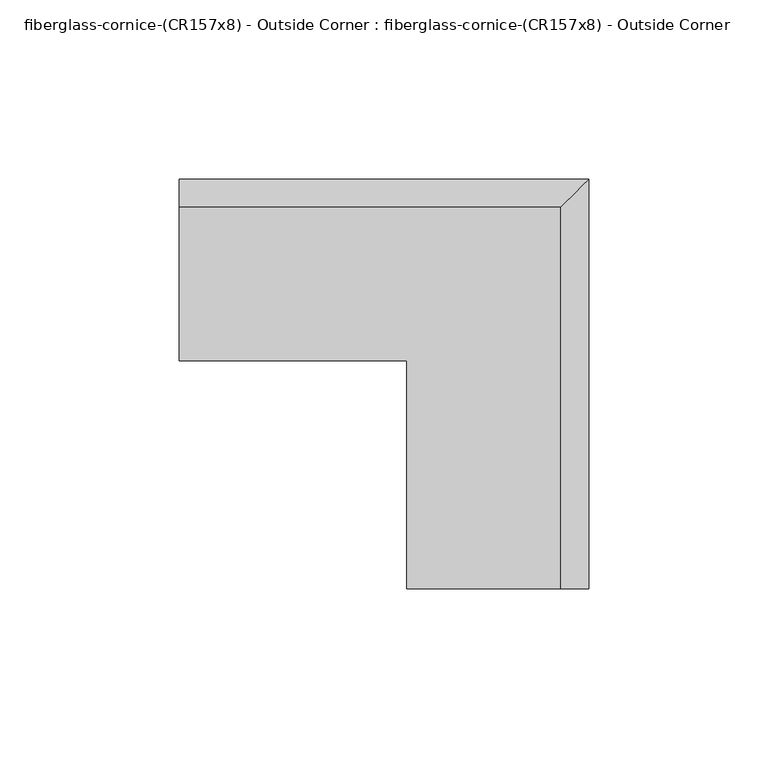
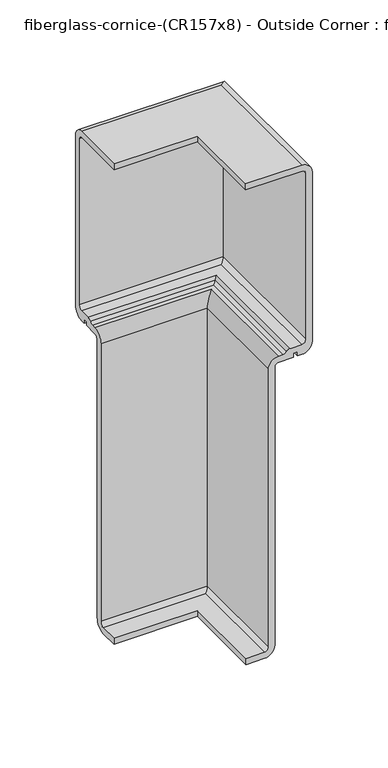
"""IFC4 building model written with IfcOpenShell, lengths in millimetres: furniture geometry, fiberglass-cornice-(CR157x8) - Outside Corner : fiberglass-cornice-(CR157x8) - Outside Corner."""

from ifc_helpers import new_model, si_unit, frame, origin, place, context, project, spatial, polyline, circle_curve, ellipse_curve, source, transform, mapped, element, save
from ifc_brep_helpers import plane_surface, cylinder_surface, revolved_surface, advanced_brep


def fiberglass_cornice_cr157x8_outside_corner_fiberglass_cornice_6117c140(model_context):
    return source(origin(), model_context, "Body", "AdvancedBrep", [
        advanced_brep(
        [(-196.9488213, 101.6, 330.1999904), (-196.9488213, 144.4625055, 330.1999904), (-196.9488213, 152.4006099, 322.261886), (-196.9488213, 152.4006099, 185.6778375), (-196.9488213, 144.4631099, 177.7403375), (-196.9488213, 141.2881099, 177.7403375), (-196.9488213, 141.2881099, 180.8652557), (-196.9488213, 138.1125055, 180.8652557), (-196.9488213, 138.1125055, 177.7402256), (-196.9488213, 127.0000004, 177.7402256), (-196.9488213, 123.8250004, 174.5652256), (-196.9488213, 123.8250004, -49.2125121), (-196.9488213, 115.8875004, -57.1500121), (-196.9488213, 101.854256, -57.1500121), (-196.9488213, 101.854256, -52.3875121), (-196.9488213, 115.8875004, -52.3875121), (-196.9488213, 119.0625004, -49.2125121), (-196.9488213, 119.0625004, 174.5652256), (-196.9488213, 127.0000004, 182.5027256), (-196.9488213, 130.1750055, 182.5027256), (-196.9488213, 132.9100589, 184.0652406), (-196.9488213, 135.6451123, 185.6277557), (-196.9488213, 144.4625055, 185.6277557), (-196.9488213, 147.6375055, 188.8027557), (-196.9488213, 147.6375055, 322.261886), (-196.9488213, 144.4625055, 325.436886), (-196.9488213, 101.6, 325.436886), (-133.3496026, 38.0007813, 330.1999904), (-133.3496026, 38.0007813, 325.436886), (-90.4870971, 38.0007813, 325.436886), (-87.3120971, 38.0007813, 322.261886), (-87.3120971, 38.0007813, 188.8027557), (-90.4870971, 38.0007813, 185.6277557), (-99.3044903, 38.0007813, 185.6277557), (-102.0395437, 38.0007813, 184.0652406), (-104.7745971, 38.0007813, 182.5027256), (-107.9496022, 38.0007813, 182.5027256), (-115.8871022, 38.0007813, 174.5652256), (-115.8871022, 38.0007813, -49.2125121), (-119.0621022, 38.0007813, -52.3875121), (-133.0953466, 38.0007813, -52.3875121), (-133.0953466, 38.0007813, -57.1500121), (-119.0621022, 38.0007813, -57.1500121), (-111.1246022, 38.0007813, -49.2125121), (-111.1246022, 38.0007813, 174.5652256), (-107.9496022, 38.0007813, 177.7402256), (-96.8370971, 38.0007813, 177.7402256), (-96.8370971, 38.0007813, 180.8652557), (-93.6614927, 38.0007813, 180.8652557), (-93.6614927, 38.0007813, 177.7403375), (-90.4864927, 38.0007813, 177.7403375), (-82.5489927, 38.0007813, 185.6778375), (-82.5489927, 38.0007813, 322.261886), (-90.4870971, 38.0007813, 330.1999904), (-133.3496026, 101.6, 330.1999904), (-90.4870971, 144.4625055, 330.1999904), (-82.5489927, 152.4006099, 322.261886), (-82.5489927, 152.4006099, 185.6778375), (-90.4864927, 144.4631099, 177.7403375), (-93.6614927, 141.2881099, 177.7403375), (-93.6614927, 141.2881099, 180.8652557), (-96.8370971, 138.1125055, 180.8652557), (-96.8370971, 138.1125055, 177.7402256), (-107.9496022, 127.0000004, 177.7402256), (-111.1246022, 123.8250004, 174.5652256), (-111.1246022, 123.8250004, -49.2125121), (-119.0621022, 115.8875004, -57.1500121), (-133.0953466, 101.854256, -57.1500121), (-133.0953466, 101.854256, -52.3875121), (-119.0621022, 115.8875004, -52.3875121), (-115.8871022, 119.0625004, -49.2125121), (-115.8871022, 119.0625004, 174.5652256), (-107.9496022, 127.0000004, 182.5027256), (-104.7745971, 130.1750055, 182.5027256), (-102.0395437, 132.9100589, 184.0652406), (-99.3044903, 135.6451123, 185.6277557), (-90.4870971, 144.4625055, 185.6277557), (-87.3120971, 147.6375055, 188.8027557), (-87.3120971, 147.6375055, 322.261886), (-90.4870971, 144.4625055, 325.436886), (-133.3496026, 101.6, 325.436886)],
        [
            (0, 1),
            (1, 2, circle_curve(frame((-196.9488213, 144.4625055, 322.261886), z_axis=(-1.0, 0.0, 0.0), x_axis=(0.0, 1.0, 0.0)), 7.9381044)),
            (2, 3),
            (3, 4, circle_curve(frame((-196.9488213, 144.4631099, 185.6778375), z_axis=(-1.0, 0.0, 0.0), x_axis=(0.0, 1.0, 0.0)), 7.9375)),
            (4, 5),
            (5, 6),
            (6, 7),
            (7, 8),
            (8, 9),
            (9, 10, circle_curve(frame((-196.9488213, 127.0000004, 174.5652256), z_axis=(1.0, 0.0, 0.0), x_axis=(0.0, 1.0, 0.0)), 3.175)),
            (10, 11),
            (11, 12, circle_curve(frame((-196.9488213, 115.8875004, -49.2125121), z_axis=(-1.0, 0.0, 0.0), x_axis=(0.0, 1.0, 0.0)), 7.9375)),
            (12, 13),
            (13, 14),
            (14, 15),
            (15, 16, circle_curve(frame((-196.9488213, 115.8875004, -49.2125121), z_axis=(1.0, 0.0, 0.0), x_axis=(0.0, 1.0, 0.0)), 3.175)),
            (16, 17),
            (17, 18, circle_curve(frame((-196.9488213, 127.0000004, 174.5652256), z_axis=(-1.0, 0.0, 0.0), x_axis=(0.0, 1.0, 0.0)), 7.9375)),
            (18, 19),
            (19, 20, circle_curve(frame((-196.9488213, 130.1750055, 185.6777256), z_axis=(1.0, 0.0, 0.0), x_axis=(0.0, 1.0, 0.0)), 3.175)),
            (20, 21, circle_curve(frame((-196.9488213, 135.6451123, 182.4527557), z_axis=(-1.0, 0.0, 0.0), x_axis=(0.0, 1.0, 0.0)), 3.175)),
            (21, 22),
            (22, 23, circle_curve(frame((-196.9488213, 144.4625055, 188.8027557), z_axis=(1.0, 0.0, 0.0), x_axis=(0.0, 1.0, 0.0)), 3.175)),
            (23, 24),
            (24, 25, circle_curve(frame((-196.9488213, 144.4625055, 322.261886), z_axis=(1.0, 0.0, 0.0), x_axis=(0.0, 1.0, 0.0)), 3.175)),
            (25, 26),
            (26, 0),
            (27, 28),
            (28, 29),
            (29, 30, circle_curve(frame((-90.4870971, 38.0007813, 322.261886), z_axis=(0.0, 1.0, 0.0), x_axis=(1.0, 0.0, 0.0)), 3.175)),
            (30, 31),
            (31, 32, circle_curve(frame((-90.4870971, 38.0007813, 188.8027557), z_axis=(0.0, 1.0, 0.0), x_axis=(1.0, 0.0, 0.0)), 3.175)),
            (32, 33),
            (33, 34, circle_curve(frame((-99.3044903, 38.0007813, 182.4527557), z_axis=(0.0, -1.0, 0.0), x_axis=(1.0, 0.0, 0.0)), 3.175)),
            (34, 35, circle_curve(frame((-104.7745971, 38.0007813, 185.6777256), z_axis=(0.0, 1.0, 0.0), x_axis=(1.0, 0.0, 0.0)), 3.175)),
            (35, 36),
            (36, 37, circle_curve(frame((-107.9496022, 38.0007813, 174.5652256), z_axis=(0.0, -1.0, 0.0), x_axis=(1.0, 0.0, 0.0)), 7.9375)),
            (37, 38),
            (38, 39, circle_curve(frame((-119.0621022, 38.0007813, -49.2125121), z_axis=(0.0, 1.0, 0.0), x_axis=(1.0, 0.0, 0.0)), 3.175)),
            (39, 40),
            (40, 41),
            (41, 42),
            (42, 43, circle_curve(frame((-119.0621022, 38.0007813, -49.2125121), z_axis=(0.0, -1.0, 0.0), x_axis=(1.0, 0.0, 0.0)), 7.9375)),
            (43, 44),
            (44, 45, circle_curve(frame((-107.9496022, 38.0007813, 174.5652256), z_axis=(0.0, 1.0, 0.0), x_axis=(1.0, 0.0, 0.0)), 3.175)),
            (45, 46),
            (46, 47),
            (47, 48),
            (48, 49),
            (49, 50),
            (50, 51, circle_curve(frame((-90.4864927, 38.0007813, 185.6778375), z_axis=(0.0, -1.0, 0.0), x_axis=(1.0, 0.0, 0.0)), 7.9375)),
            (51, 52),
            (52, 53, circle_curve(frame((-90.4870971, 38.0007813, 322.261886), z_axis=(0.0, -1.0, 0.0), x_axis=(1.0, 0.0, 0.0)), 7.9381044)),
            (53, 27),
            (0, 54),
            (54, 27),
            (53, 55),
            (55, 1),
            (55, 56, ellipse_curve(frame((-90.4870971, 144.4625055, 322.261886), z_axis=(-0.7071067811865563, 0.7071067811865387, 0.0), x_axis=(-0.7071067811865387, -0.7071067811865565, 0.0)), 11.2261749, 7.9381044)),
            (56, 2),
            (56, 57),
            (57, 3),
            (57, 58, ellipse_curve(frame((-90.4864927, 144.4631099, 185.6778375), z_axis=(-0.7071067811865563, 0.7071067811865387, 0.0), x_axis=(-0.7071067811865387, -0.7071067811865565, 0.0)), 11.2253202, 7.9375)),
            (58, 4),
            (58, 50),
            (49, 59),
            (59, 5),
            (59, 60),
            (60, 6),
            (60, 48),
            (47, 61),
            (61, 7),
            (61, 62),
            (62, 8),
            (62, 46),
            (45, 63),
            (63, 9),
            (63, 64, ellipse_curve(frame((-107.9496022, 127.0000004, 174.5652256), z_axis=(0.7071067811865563, -0.7071067811865387, 0.0), x_axis=(0.7071067811865387, 0.7071067811865565, 0.0)), 4.4901281, 3.175)),
            (64, 10),
            (64, 65),
            (65, 11),
            (65, 66, ellipse_curve(frame((-119.0621022, 115.8875004, -49.2125121), z_axis=(-0.7071067811865563, 0.7071067811865387, 0.0), x_axis=(-0.7071067811865387, -0.7071067811865565, 0.0)), 11.2253202, 7.9375)),
            (66, 12),
            (66, 42),
            (41, 67),
            (67, 13),
            (67, 68),
            (68, 14),
            (68, 40),
            (39, 69),
            (69, 15),
            (69, 70, ellipse_curve(frame((-119.0621022, 115.8875004, -49.2125121), z_axis=(0.7071067811865563, -0.7071067811865387, 0.0), x_axis=(0.7071067811865387, 0.7071067811865565, 0.0)), 4.4901281, 3.175)),
            (70, 16),
            (70, 71),
            (71, 17),
            (71, 72, ellipse_curve(frame((-107.9496022, 127.0000004, 174.5652256), z_axis=(-0.7071067811865563, 0.7071067811865387, 0.0), x_axis=(-0.7071067811865387, -0.7071067811865565, 0.0)), 11.2253202, 7.9375)),
            (72, 18),
            (72, 36),
            (35, 73),
            (73, 19),
            (73, 74, ellipse_curve(frame((-104.7745971, 130.1750055, 185.6777256), z_axis=(0.7071067811865563, -0.7071067811865387, 0.0), x_axis=(0.7071067811865387, 0.7071067811865565, 0.0)), 4.4901281, 3.175)),
            (74, 20),
            (74, 75, ellipse_curve(frame((-99.3044903, 135.6451123, 182.4527557), z_axis=(-0.7071067811865563, 0.7071067811865387, 0.0), x_axis=(-0.7071067811865387, -0.7071067811865565, 0.0)), 4.4901281, 3.175)),
            (75, 21),
            (75, 33),
            (32, 76),
            (76, 22),
            (76, 77, ellipse_curve(frame((-90.4870971, 144.4625055, 188.8027557), z_axis=(0.7071067811865563, -0.7071067811865387, 0.0), x_axis=(0.7071067811865387, 0.7071067811865565, 0.0)), 4.4901281, 3.175)),
            (77, 23),
            (77, 78),
            (78, 24),
            (78, 79, ellipse_curve(frame((-90.4870971, 144.4625055, 322.261886), z_axis=(0.7071067811865563, -0.7071067811865387, 0.0), x_axis=(0.7071067811865387, 0.7071067811865565, 0.0)), 4.4901281, 3.175)),
            (79, 25),
            (79, 29),
            (28, 80),
            (80, 26),
            (80, 54),
            (52, 56),
            (51, 57),
            (44, 64),
            (43, 65),
            (38, 70),
            (37, 71),
            (34, 74),
            (31, 77),
            (30, 78),
        ],
        [
            plane_surface(frame((-196.9488213, 101.6, 330.1999904), z_axis=(-1.0, 0.0, 0.0), x_axis=(0.0, 0.0, 1.0))),
            plane_surface(frame((-133.3496026, 38.0007813, 330.1999904), z_axis=(0.0, -1.0, 0.0), x_axis=(0.0, 0.0, 1.0))),
            plane_surface(frame((-196.9488213, 101.6, 330.1999904), z_axis=(0.0, 0.0, 1.0), x_axis=(1.0, 0.0, 0.0))),
            cylinder_surface(frame((-196.9488213, 144.4625055, 322.261886), z_axis=(-1.0, 0.0, 0.0), x_axis=(0.0, 1.0, 0.0)), 7.9381044),
            plane_surface(frame((-196.9488213, 152.4006099, 322.261886), z_axis=(0.0, 1.0, 0.0), x_axis=(1.0, 0.0, 0.0))),
            cylinder_surface(frame((-196.9488213, 144.4631099, 185.6778375), z_axis=(-1.0, 0.0, 0.0), x_axis=(0.0, 1.0, 0.0)), 7.9375),
            plane_surface(frame((-196.9488213, 144.4631099, 177.7403375), z_axis=(0.0, 0.0, -1.0), x_axis=(1.0, 0.0, 0.0))),
            plane_surface(frame((-196.9488213, 141.2881099, 177.7403375), z_axis=(0.0, -1.0, 0.0), x_axis=(1.0, 0.0, 0.0))),
            plane_surface(frame((-196.9488213, 141.2881099, 180.8652557), z_axis=(0.0, 0.0, -1.0), x_axis=(1.0, 0.0, 0.0))),
            plane_surface(frame((-196.9488213, 138.1125055, 180.8652557), z_axis=(0.0, 1.0, 0.0), x_axis=(1.0, 0.0, 0.0))),
            plane_surface(frame((-196.9488213, 138.1125055, 177.7402256), z_axis=(0.0, 0.0, -1.0), x_axis=(1.0, 0.0, 0.0))),
            revolved_surface(polyline([(-104.77460217209378, 130.17500040000002, 174.5652256), (-196.9488213, 130.17500040000002, 174.5652256)]), (-196.9488213, 127.0000004, 174.5652256), (1.0, 0.0, 0.0)),
            plane_surface(frame((-196.9488213, 123.8250004, 174.5652256), z_axis=(0.0, 1.0, 0.0), x_axis=(1.0, 0.0, 0.0))),
            cylinder_surface(frame((-196.9488213, 115.8875004, -49.2125121), z_axis=(-1.0, 0.0, 0.0), x_axis=(0.0, 1.0, 0.0)), 7.9375),
            plane_surface(frame((-196.9488213, 115.8875004, -57.1500121), z_axis=(0.0, 0.0, -1.0), x_axis=(1.0, 0.0, 0.0))),
            plane_surface(frame((-196.9488213, 101.854256, -57.1500121), z_axis=(0.0, -1.0, 0.0), x_axis=(1.0, 0.0, 0.0))),
            plane_surface(frame((-196.9488213, 101.854256, -52.3875121), z_axis=(0.0, 0.0, 1.0), x_axis=(1.0, 0.0, 0.0))),
            revolved_surface(polyline([(-115.88710217209378, 119.06250039999999, -49.2125121), (-196.9488213, 119.06250039999999, -49.2125121)]), (-196.9488213, 115.8875004, -49.2125121), (1.0, 0.0, 0.0)),
            plane_surface(frame((-196.9488213, 119.0625004, -49.2125121), z_axis=(0.0, -1.0, 0.0), x_axis=(1.0, 0.0, 0.0))),
            cylinder_surface(frame((-196.9488213, 127.0000004, 174.5652256), z_axis=(-1.0, 0.0, 0.0), x_axis=(0.0, 1.0, 0.0)), 7.9375),
            plane_surface(frame((-196.9488213, 127.0000004, 182.5027256), z_axis=(0.0, 0.0, 1.0), x_axis=(1.0, 0.0, 0.0))),
            revolved_surface(polyline([(-101.59959707209377, 133.3500055, 185.6777256), (-196.9488213, 133.3500055, 185.6777256)]), (-196.9488213, 130.1750055, 185.6777256), (1.0, 0.0, 0.0)),
            cylinder_surface(frame((-196.9488213, 135.6451123, 182.4527557), z_axis=(-1.0, 0.0, 0.0), x_axis=(0.0, 1.0, 0.0)), 3.175),
            plane_surface(frame((-196.9488213, 135.6451123, 185.6277557), z_axis=(0.0, 0.0, 1.0), x_axis=(1.0, 0.0, 0.0))),
            revolved_surface(polyline([(-87.31209707209378, 147.6375055, 188.8027557), (-196.9488213, 147.6375055, 188.8027557)]), (-196.9488213, 144.4625055, 188.8027557), (1.0, 0.0, 0.0)),
            plane_surface(frame((-196.9488213, 147.6375055, 188.8027557), z_axis=(0.0, -1.0, 0.0), x_axis=(1.0, 0.0, 0.0))),
            revolved_surface(polyline([(-87.31209707209378, 147.6375055, 322.261886), (-196.9488213, 147.6375055, 322.261886)]), (-196.9488213, 144.4625055, 322.261886), (1.0, 0.0, 0.0)),
            plane_surface(frame((-196.9488213, 144.4625055, 325.436886), z_axis=(0.0, 0.0, -1.0), x_axis=(1.0, 0.0, 0.0))),
            plane_surface(frame((-196.9488213, 101.6, 325.436886), z_axis=(0.0, -1.0, 0.0), x_axis=(1.0, 0.0, 0.0))),
            cylinder_surface(frame((-90.4870971, 101.6, 322.261886), z_axis=(0.0, 1.0, 0.0), x_axis=(1.0, 0.0, 0.0)), 7.9381044),
            plane_surface(frame((-82.5489927, 152.4006099, 322.261886), z_axis=(1.0, 0.0, 0.0), x_axis=(0.0, -1.0, 0.0))),
            cylinder_surface(frame((-90.4864927, 101.6, 185.6778375), z_axis=(0.0, 1.0, 0.0), x_axis=(1.0, 0.0, 0.0)), 7.9375),
            plane_surface(frame((-93.6614927, 141.2881099, 177.7403375), z_axis=(-1.0, 0.0, 0.0), x_axis=(0.0, -1.0, 0.0))),
            plane_surface(frame((-96.8370971, 138.1125055, 180.8652557), z_axis=(1.0, 0.0, 0.0), x_axis=(0.0, -1.0, 0.0))),
            revolved_surface(polyline([(-104.7746022, 38.0007813, 174.5652256), (-104.7746022, 130.1750004279063, 174.5652256)]), (-107.9496022, 101.6, 174.5652256), (0.0, -1.0, 0.0)),
            plane_surface(frame((-111.1246022, 123.8250004, 174.5652256), z_axis=(1.0, 0.0, 0.0), x_axis=(0.0, -1.0, 0.0))),
            cylinder_surface(frame((-119.0621022, 101.6, -49.2125121), z_axis=(0.0, 1.0, 0.0), x_axis=(1.0, 0.0, 0.0)), 7.9375),
            plane_surface(frame((-133.0953466, 101.854256, -57.1500121), z_axis=(-1.0, 0.0, 0.0), x_axis=(0.0, -1.0, 0.0))),
            revolved_surface(polyline([(-115.8871022, 38.0007813, -49.2125121), (-115.8871022, 119.0625004279063, -49.2125121)]), (-119.0621022, 101.6, -49.2125121), (0.0, -1.0, 0.0)),
            plane_surface(frame((-115.8871022, 119.0625004, -49.2125121), z_axis=(-1.0, 0.0, 0.0), x_axis=(0.0, -1.0, 0.0))),
            cylinder_surface(frame((-107.9496022, 101.6, 174.5652256), z_axis=(0.0, 1.0, 0.0), x_axis=(1.0, 0.0, 0.0)), 7.9375),
            revolved_surface(polyline([(-101.5995971, 38.0007813, 185.6777256), (-101.5995971, 133.35000552790632, 185.6777256)]), (-104.7745971, 101.6, 185.6777256), (0.0, -1.0, 0.0)),
            cylinder_surface(frame((-99.3044903, 101.6, 182.4527557), z_axis=(0.0, 1.0, 0.0), x_axis=(1.0, 0.0, 0.0)), 3.175),
            revolved_surface(polyline([(-87.3120971, 38.0007813, 188.8027557), (-87.3120971, 147.63750552790628, 188.8027557)]), (-90.4870971, 101.6, 188.8027557), (0.0, -1.0, 0.0)),
            plane_surface(frame((-87.3120971, 147.6375055, 188.8027557), z_axis=(-1.0, 0.0, 0.0), x_axis=(0.0, -1.0, 0.0))),
            revolved_surface(polyline([(-87.3120971, 38.0007813, 322.261886), (-87.3120971, 147.63750552790628, 322.261886)]), (-90.4870971, 101.6, 322.261886), (0.0, -1.0, 0.0)),
            plane_surface(frame((-133.3496026, 101.6, 325.436886), z_axis=(-1.0, 0.0, 0.0), x_axis=(0.0, -1.0, 0.0))),
        ],
        [
            (0, [[1, 2, 3, 4, 5, 6, 7, 8, 9, 10, 11, 12, 13, 14, 15, 16, 17, 18, 19, 20, 21, 22, 23, 24, 25, 26, 27]]),
            (1, [[28, 29, 30, 31, 32, 33, 34, 35, 36, 37, 38, 39, 40, 41, 42, 43, 44, 45, 46, 47, 48, 49, 50, 51, 52, 53, 54]]),
            (2, [[-1, 55, 56, -54, 57, 58]]),
            (3, [[-2, -58, 59, 60]]),
            (4, [[-3, -60, 61, 62]]),
            (5, [[-4, -62, 63, 64]]),
            (6, [[-5, -64, 65, -50, 66, 67]]),
            (7, [[-6, -67, 68, 69]]),
            (8, [[-7, -69, 70, -48, 71, 72]]),
            (9, [[-8, -72, 73, 74]]),
            (10, [[-9, -74, 75, -46, 76, 77]]),
            (11, [[-10, -77, 78, 79]]),
            (12, [[-11, -79, 80, 81]]),
            (13, [[-12, -81, 82, 83]]),
            (14, [[-13, -83, 84, -42, 85, 86]]),
            (15, [[-14, -86, 87, 88]]),
            (16, [[-15, -88, 89, -40, 90, 91]]),
            (17, [[-16, -91, 92, 93]]),
            (18, [[-17, -93, 94, 95]]),
            (19, [[-18, -95, 96, 97]]),
            (20, [[-19, -97, 98, -36, 99, 100]]),
            (21, [[-20, -100, 101, 102]]),
            (22, [[-21, -102, 103, 104]]),
            (23, [[-22, -104, 105, -33, 106, 107]]),
            (24, [[-23, -107, 108, 109]]),
            (25, [[-24, -109, 110, 111]]),
            (26, [[-25, -111, 112, 113]]),
            (27, [[-26, -113, 114, -29, 115, 116]]),
            (28, [[-27, -116, 117, -55]]),
            (29, [[-59, -57, -53, 118]]),
            (30, [[-61, -118, -52, 119]]),
            (31, [[-63, -119, -51, -65]]),
            (32, [[-68, -66, -49, -70]]),
            (33, [[-73, -71, -47, -75]]),
            (34, [[-78, -76, -45, 120]]),
            (35, [[-80, -120, -44, 121]]),
            (36, [[-82, -121, -43, -84]]),
            (37, [[-87, -85, -41, -89]]),
            (38, [[-92, -90, -39, 122]]),
            (39, [[-94, -122, -38, 123]]),
            (40, [[-96, -123, -37, -98]]),
            (41, [[-101, -99, -35, 124]]),
            (42, [[-103, -124, -34, -105]]),
            (43, [[-108, -106, -32, 125]]),
            (44, [[-110, -125, -31, 126]]),
            (45, [[-112, -126, -30, -114]]),
            (46, [[-117, -115, -28, -56]]),
        ],
    ),
    ])


if __name__ == "__main__":
    model = new_model("IFC4")
    model_context = context("Model", 3, world=origin())
    ifc_project = project(units=[si_unit("LENGTHUNIT", "METRE", prefix="MILLI")], contexts=[model_context])
    site = spatial("IfcSite", under=ifc_project)
    building = spatial("IfcBuilding", under=site)
    placement = place(None, origin())
    fiberglass_cornice_cr157x8_outside_corner_fiberglass_cornice_shape = fiberglass_cornice_cr157x8_outside_corner_fiberglass_cornice_6117c140(model_context)
    element("IfcFurniture", 1, ObjectType="fiberglass-cornice-(CR157x8) - Outside Corner : fiberglass-cornice-(CR157x8) - Outside Corner", at=placement, inside=building, context=model_context, shape_type="MappedRepresentation", body=[
        mapped(fiberglass_cornice_cr157x8_outside_corner_fiberglass_cornice_shape, transform((0.0, 0.0, 0.0), x_axis=(1.0, 0.0, 0.0), y_axis=(0.0, 1.0, 0.0), z_axis=(0.0, 0.0, 1.0))),
    ])
    save(model, "model.ifc")
